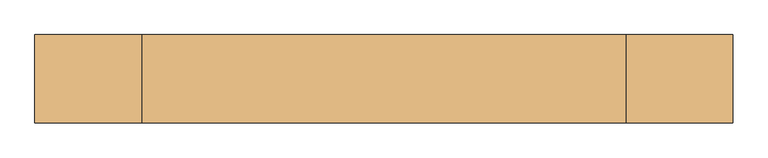
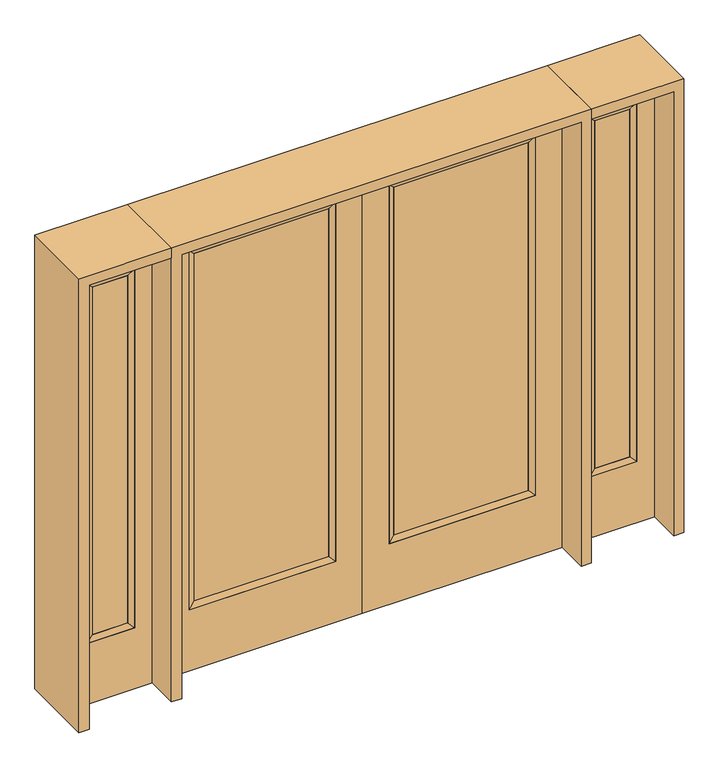
"""IFC4 building model written with IfcOpenShell, lengths in millimetres: door geometry."""

from ifc_helpers import new_model, si_unit, frame, origin, place, context, project, spatial, polyline, outline, extrude, faceted_brep, source, transform, mapped, element, save


def door_111007ec(model_context):
    return source(origin(), model_context, "Body", "SolidModel", [
        extrude(outline(polyline([(140.8176, -12.7039749), (140.8176, 14.2875), (722.7824, 14.2875), (722.7824, -12.7039749), (140.8176, -12.7039749)])), frame((0.0, 0.0, 304.8), z_axis=(0.0, 0.0, 1.0), x_axis=(1.0, 0.0, 0.0)), (0.0, 0.0, 1.0), 1590.675),
        faceted_brep([(140.8176, 14.2875, 1895.475), (140.8176, 14.2875, 304.8), (115.4176, 22.225, 279.4), (115.4176, 22.225, 1920.875), (115.4176, -22.225, 279.4), (115.4176, -22.225, 1920.875), (722.7824, 14.2875, 304.8), (748.1824, 22.225, 279.4), (140.8176, -12.7039749, 1895.475), (140.8176, -12.7039749, 304.8), (722.7824, -12.7039749, 304.8), (748.1824, -22.225, 279.4), (722.7824, 14.2875, 1895.475), (748.1824, 22.225, 1920.875), (722.7824, -12.7039749, 1895.475), (748.1824, -22.225, 1920.875)], [[[0, 1, 2, 3]], [[3, 2, 4, 5]], [[1, 6, 7, 2]], [[8, 9, 1, 0]], [[9, 10, 6, 1]], [[5, 4, 9, 8]], [[4, 11, 10, 9]], [[2, 7, 11, 4]], [[6, 12, 13, 7]], [[10, 14, 12, 6]], [[11, 15, 14, 10]], [[7, 13, 15, 11]], [[12, 0, 3, 13]], [[14, 8, 0, 12]], [[15, 5, 8, 14]], [[13, 3, 5, 15]]]),
        extrude(outline(polyline([(0.0, 863.6), (2032.0, 863.6), (2032.0, 0.0), (0.0, 0.0), (0.0, 863.6)]), holes=[polyline([(279.4, 748.1824), (279.4, 115.4176), (1920.875, 115.4176), (1920.875, 748.1824), (279.4, 748.1824)])]), frame((0.0, -22.225, 0.0), z_axis=(0.0, 1.0, 0.0), x_axis=(0.0, 0.0, 1.0)), (0.0, 0.0, 1.0), 44.45),
        extrude(outline(polyline([(-140.8176, -12.7039749), (-722.7824, -12.7039749), (-722.7824, 14.2875), (-140.8176, 14.2875), (-140.8176, -12.7039749)])), frame((0.0, 0.0, 304.8), z_axis=(0.0, 0.0, 1.0), x_axis=(1.0, 0.0, 0.0)), (0.0, 0.0, 1.0), 1590.675),
        faceted_brep([(-140.8176, 14.2875, 1895.475), (-115.4176, 22.225, 1920.875), (-115.4176, 22.225, 279.4), (-140.8176, 14.2875, 304.8), (-115.4176, -22.225, 1920.875), (-115.4176, -22.225, 279.4), (-748.1824, 22.225, 279.4), (-722.7824, 14.2875, 304.8), (-140.8176, -12.7039749, 1895.475), (-140.8176, -12.7039749, 304.8), (-722.7824, -12.7039749, 304.8), (-748.1824, -22.225, 279.4), (-748.1824, 22.225, 1920.875), (-722.7824, 14.2875, 1895.475), (-722.7824, -12.7039749, 1895.475), (-748.1824, -22.225, 1920.875)], [[[0, 1, 2, 3]], [[1, 4, 5, 2]], [[3, 2, 6, 7]], [[8, 0, 3, 9]], [[9, 3, 7, 10]], [[4, 8, 9, 5]], [[5, 9, 10, 11]], [[2, 5, 11, 6]], [[7, 6, 12, 13]], [[10, 7, 13, 14]], [[11, 10, 14, 15]], [[6, 11, 15, 12]], [[13, 12, 1, 0]], [[14, 13, 0, 8]], [[15, 14, 8, 4]], [[12, 15, 4, 1]]]),
        extrude(outline(polyline([(0.0, -863.6), (0.0, 0.0), (2032.0, 0.0), (2032.0, -863.6), (0.0, -863.6)]), holes=[polyline([(279.4, -748.1824), (1920.875, -748.1824), (1920.875, -115.4176), (279.4, -115.4176), (279.4, -748.1824)])]), frame((0.0, -22.225, 0.0), z_axis=(0.0, 1.0, 0.0), x_axis=(0.0, 0.0, 1.0)), (0.0, 0.0, 1.0), 44.45),
        faceted_brep([(984.25, 20.6375, 1920.875), (984.25, 20.6375, 279.4), (984.25, -20.6375, 279.4), (984.25, -20.6375, 1920.875), (1009.65, -12.7, 304.8), (1009.65, -12.7, 1895.475), (1187.45, 20.6375, 279.4), (1187.45, -20.6375, 279.4), (1009.65, 12.7, 1895.475), (1009.65, 12.7, 304.8), (1162.05, 12.7, 304.8), (1162.05, -12.7, 304.8), (1187.45, 20.6375, 1920.875), (1187.45, -20.6375, 1920.875), (1162.05, 12.7, 1895.475), (1162.05, -12.7, 1895.475)], [[[0, 1, 2, 3]], [[3, 2, 4, 5]], [[1, 6, 7, 2]], [[8, 9, 1, 0]], [[9, 10, 6, 1]], [[5, 4, 9, 8]], [[4, 11, 10, 9]], [[2, 7, 11, 4]], [[6, 12, 13, 7]], [[10, 14, 12, 6]], [[11, 15, 14, 10]], [[7, 13, 15, 11]], [[12, 0, 3, 13]], [[14, 8, 0, 12]], [[15, 5, 8, 14]], [[13, 3, 5, 15]]]),
        extrude(outline(polyline([(0.0, 1263.65), (2032.0, 1263.65), (2032.0, 908.05), (0.0, 908.05), (0.0, 1263.65)]), holes=[polyline([(1920.875, 984.25), (1920.875, 1187.45), (279.4, 1187.45), (279.4, 984.25), (1920.875, 984.25)])]), frame((0.0, -20.6375, 0.0), z_axis=(0.0, 1.0, 0.0), x_axis=(0.0, 0.0, 1.0)), (0.0, 0.0, 1.0), 41.275),
        extrude(outline(polyline([(1009.65, -12.7), (1009.65, 12.7), (1162.05, 12.7), (1162.05, -12.7), (1009.65, -12.7)])), frame((0.0, 0.0, 304.8), z_axis=(0.0, 0.0, 1.0), x_axis=(1.0, 0.0, 0.0)), (0.0, 0.0, 1.0), 1590.675),
        faceted_brep([(-984.25, 20.6375, 1920.875), (-984.25, -20.6375, 1920.875), (-984.25, -20.6375, 279.4), (-984.25, 20.6375, 279.4), (-1009.65, -12.7, 1895.475), (-1009.65, -12.7, 304.8), (-1187.45, -20.6375, 279.4), (-1187.45, 20.6375, 279.4), (-1009.65, 12.7, 1895.475), (-1009.65, 12.7, 304.8), (-1162.05, 12.7, 304.8), (-1162.05, -12.7, 304.8), (-1187.45, -20.6375, 1920.875), (-1187.45, 20.6375, 1920.875), (-1162.05, 12.7, 1895.475), (-1162.05, -12.7, 1895.475)], [[[0, 1, 2, 3]], [[1, 4, 5, 2]], [[3, 2, 6, 7]], [[8, 0, 3, 9]], [[9, 3, 7, 10]], [[4, 8, 9, 5]], [[5, 9, 10, 11]], [[2, 5, 11, 6]], [[7, 6, 12, 13]], [[10, 7, 13, 14]], [[11, 10, 14, 15]], [[6, 11, 15, 12]], [[13, 12, 1, 0]], [[14, 13, 0, 8]], [[15, 14, 8, 4]], [[12, 15, 4, 1]]]),
        extrude(outline(polyline([(0.0, -1263.65), (0.0, -908.05), (2032.0, -908.05), (2032.0, -1263.65), (0.0, -1263.65)]), holes=[polyline([(1920.875, -984.25), (279.4, -984.25), (279.4, -1187.45), (1920.875, -1187.45), (1920.875, -984.25)])]), frame((0.0, -20.6375, 0.0), z_axis=(0.0, 1.0, 0.0), x_axis=(0.0, 0.0, 1.0)), (0.0, 0.0, 1.0), 41.275),
        extrude(outline(polyline([(-1009.65, -12.7), (-1162.05, -12.7), (-1162.05, 12.7), (-1009.65, 12.7), (-1009.65, -12.7)])), frame((0.0, 0.0, 304.8), z_axis=(0.0, 0.0, 1.0), x_axis=(1.0, 0.0, 0.0)), (0.0, 0.0, 1.0), 1590.675),
        extrude(outline(polyline([(2032.0, -908.05), (2076.45, -908.05), (2076.45, -1308.1), (0.0, -1308.1), (0.0, -1263.65), (2032.0, -1263.65), (2032.0, -908.05)])), frame((0.0, -165.1, 0.0), z_axis=(0.0, 1.0, 0.0), x_axis=(0.0, 0.0, 1.0)), (0.0, 0.0, 1.0), 330.2),
        extrude(outline(polyline([(2076.45, -908.05), (0.0, -908.05), (0.0, -863.6), (2032.0, -863.6), (2032.0, 863.6), (0.0, 863.6), (0.0, 908.05), (2076.45, 908.05), (2076.45, -908.05)])), frame((0.0, -165.1, 0.0), z_axis=(0.0, 1.0, 0.0), x_axis=(0.0, 0.0, 1.0)), (0.0, 0.0, 1.0), 330.2),
        extrude(outline(polyline([(0.0, 1263.65), (0.0, 1308.1), (2076.45, 1308.1), (2076.45, 908.05), (2032.0, 908.05), (2032.0, 1263.65), (0.0, 1263.65)])), frame((0.0, -165.1, 0.0), z_axis=(0.0, 1.0, 0.0), x_axis=(0.0, 0.0, 1.0)), (0.0, 0.0, 1.0), 330.2),
    ])


if __name__ == "__main__":
    model = new_model("IFC4")
    model_context = context("Model", 3, world=origin())
    ifc_project = project(units=[si_unit("LENGTHUNIT", "METRE", prefix="MILLI")], contexts=[model_context])
    site = spatial("IfcSite", under=ifc_project)
    building = spatial("IfcBuilding", under=site)
    placement = place(None, origin())
    door_shape = door_111007ec(model_context)
    element("IfcDoor", 1, at=placement, inside=building, context=model_context, shape_type="MappedRepresentation", body=[
        mapped(door_shape, transform((0.0, 0.0, 0.0), x_axis=(1.0, 0.0, 0.0), y_axis=(0.0, 1.0, 0.0), z_axis=(0.0, 0.0, 1.0))),
    ])
    save(model, "model.ifc")
